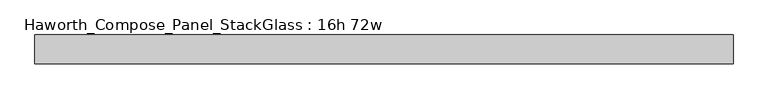
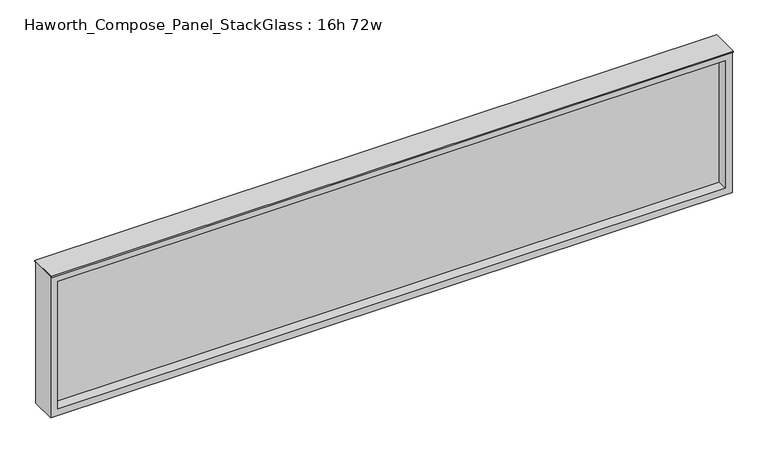
"""IFC4 building model written with IfcOpenShell, lengths in millimetres: furniture geometry, Haworth_Compose_Panel_StackGlass : 16h 72w."""

from ifc_helpers import new_model, si_unit, frame, origin, place, context, project, spatial, polyline, outline, extrude, source, transform, mapped, element, save


def haworth_compose_panel_stackglass_16h_72w_705eb747(model_context):
    return source(origin(), model_context, "Body", "SweptSolid", [
        extrude(outline(polyline([(897.7902902, -6.35), (-892.9097098, -6.35), (-892.9097098, 6.35), (897.7902902, 6.35), (897.7902902, -6.35)])), frame((0.0, 0.0, 1085.85), z_axis=(0.0, 0.0, 1.0), x_axis=(1.0, 0.0, 0.0)), (0.0, 0.0, 1.0), 361.95),
        extrude(outline(polyline([(1466.85, -911.9597098), (1066.8, -911.9597098), (1066.8, 916.8402902), (1466.85, 916.8402902), (1466.85, -911.9597098)]), holes=[polyline([(1447.8, 897.7902902), (1085.85, 897.7902902), (1085.85, -892.9097098), (1447.8, -892.9097098), (1447.8, 897.7902902)])]), frame((0.0, -34.925, 0.0), z_axis=(0.0, 1.0, 0.0), x_axis=(0.0, 0.0, 1.0)), (0.0, 0.0, 1.0), 69.85),
        extrude(outline(polyline([(-911.9597098, -38.1), (-911.9597098, 38.1), (916.8402902, 38.1), (916.8402902, -38.1), (-911.9597098, -38.1)])), frame((0.0, 0.0, 1466.85), z_axis=(0.0, 0.0, 1.0), x_axis=(1.0, 0.0, 0.0)), (0.0, 0.0, 1.0), 3.175),
    ])


if __name__ == "__main__":
    model = new_model("IFC4")
    model_context = context("Model", 3, world=origin())
    ifc_project = project(units=[si_unit("LENGTHUNIT", "METRE", prefix="MILLI")], contexts=[model_context])
    site = spatial("IfcSite", under=ifc_project)
    building = spatial("IfcBuilding", under=site)
    placement = place(None, origin())
    haworth_compose_panel_stackglass_16h_72w_shape = haworth_compose_panel_stackglass_16h_72w_705eb747(model_context)
    element("IfcFurniture", 1, ObjectType="Haworth_Compose_Panel_StackGlass : 16h 72w", at=placement, inside=building, context=model_context, shape_type="MappedRepresentation", body=[
        mapped(haworth_compose_panel_stackglass_16h_72w_shape, transform((0.0, 0.0, 0.0), x_axis=(1.0, 0.0, 0.0), y_axis=(0.0, 1.0, 0.0), z_axis=(0.0, 0.0, 1.0))),
    ])
    save(model, "model.ifc")
